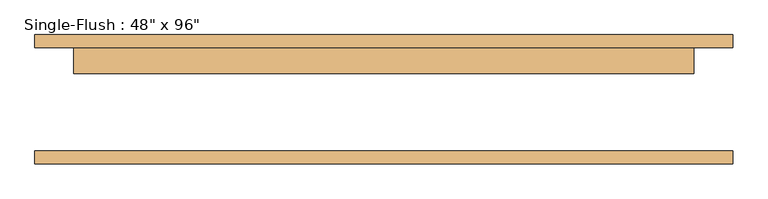
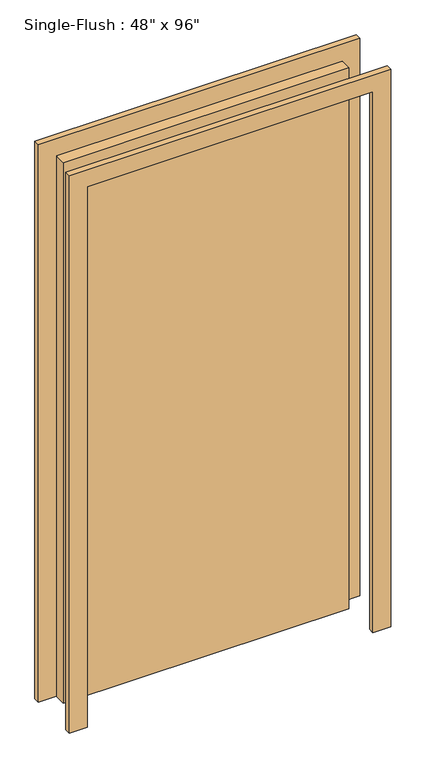
"""IFC4 building model written with IfcOpenShell, lengths in millimetres: door geometry."""

from ifc_helpers import new_model, si_unit, frame, origin, origin_with_axes, place, context, project, spatial, polyline, outline, extrude, source, transform, mapped, element, save


def door_f3e74252(model_context):
    return source(origin(), model_context, "Body", "SweptSolid", [
        extrude(outline(polyline([(2514.6, -685.8), (0.0, -685.8), (0.0, -609.6), (2438.4, -609.6), (2438.4, 609.6), (0.0, 609.6), (0.0, 685.8), (2514.6, 685.8), (2514.6, -685.8)])), frame((0.0, 101.6, 0.0), z_axis=(0.0, 1.0, 0.0), x_axis=(0.0, 0.0, 1.0)), (0.0, 0.0, 1.0), 25.4),
        extrude(outline(polyline([(2514.6, 685.8), (2514.6, -685.8), (0.0, -685.8), (0.0, -609.6), (2438.4, -609.6), (2438.4, 609.6), (0.0, 609.6), (0.0, 685.8), (2514.6, 685.8)])), frame((0.0, -127.0, 0.0), z_axis=(0.0, 1.0, 0.0), x_axis=(0.0, 0.0, 1.0)), (0.0, 0.0, 1.0), 25.4),
        extrude(outline(polyline([(609.6, 50.8), (-609.6, 50.8), (-609.6, 101.6), (609.6, 101.6), (609.6, 50.8)])), origin_with_axes(), (0.0, 0.0, 1.0), 2438.4),
    ])


if __name__ == "__main__":
    model = new_model("IFC4")
    model_context = context("Model", 3, world=origin())
    ifc_project = project(units=[si_unit("LENGTHUNIT", "METRE", prefix="MILLI")], contexts=[model_context])
    site = spatial("IfcSite", under=ifc_project)
    building = spatial("IfcBuilding", under=site)
    placement = place(None, origin())
    door_shape = door_f3e74252(model_context)
    element("IfcDoor", 1, ObjectType="Single-Flush : 48\" x 96\"", at=placement, inside=building, context=model_context, shape_type="MappedRepresentation", body=[
        mapped(door_shape, transform((0.0, 0.0, 0.0), x_axis=(1.0, 0.0, 0.0), y_axis=(0.0, 1.0, 0.0), z_axis=(0.0, 0.0, 1.0))),
    ])
    save(model, "model.ifc")
